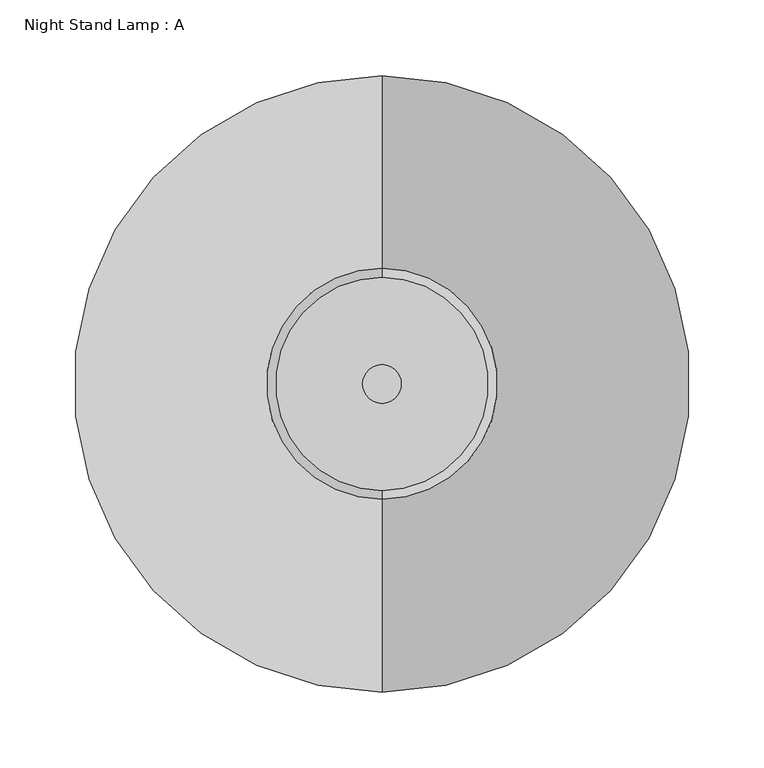
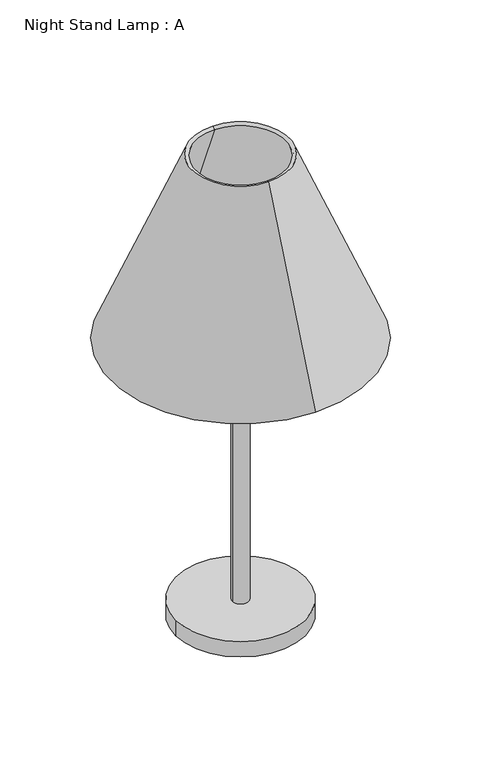
"""IFC4 building model written with IfcOpenShell, lengths in millimetres: furniture geometry, Night Stand Lamp : A."""

from ifc_helpers import new_model, si_unit, point, frame, origin, origin_with_axes, origin_2d, place, context, project, spatial, polyline, circle_curve, trimmed, segment, composite_curve, outline, extrude, source, transform, mapped, element, save
from ifc_brep_helpers import revolved_surface, advanced_brep


def night_stand_lamp_a_437d634a(model_context):
    return source(origin(), model_context, "Body", "SolidModel", [
        advanced_brep(
        [(0.0, -203.2, 457.2), (0.0, -76.2, 762.0), (0.0, 76.2, 762.0), (0.0, 203.2, 457.2), (0.0, -197.3384615, 454.7576923), (0.0, 197.3384615, 454.7576923), (0.0, -70.3384615, 759.5576923), (0.0, 70.3384615, 759.5576923)],
        [
            (0, 1),
            (1, 2, circle_curve(frame((0.0, 0.0, 762.0), z_axis=(0.0, 0.0, -1.0), x_axis=(0.0, 1.0, 0.0)), 76.2)),
            (2, 3),
            (3, 0, circle_curve(frame((0.0, 0.0, 457.2), z_axis=(0.0, 0.0, 1.0), x_axis=(0.0, 1.0, 0.0)), 203.2)),
            (2, 1, circle_curve(frame((0.0, 0.0, 762.0), z_axis=(0.0, 0.0, -1.0), x_axis=(0.0, 1.0, 0.0)), 76.2)),
            (0, 3, circle_curve(frame((0.0, 0.0, 457.2), z_axis=(0.0, 0.0, 1.0), x_axis=(0.0, 1.0, 0.0)), 203.2)),
            (4, 0),
            (3, 5),
            (5, 4, circle_curve(frame((0.0, 0.0, 454.7576923), z_axis=(0.0, 0.0, 1.0), x_axis=(0.0, 1.0, 0.0)), 197.3384615)),
            (4, 5, circle_curve(frame((0.0, 0.0, 454.7576923), z_axis=(0.0, 0.0, 1.0), x_axis=(0.0, 1.0, 0.0)), 197.3384615)),
            (6, 4),
            (5, 7),
            (7, 6, circle_curve(frame((0.0, 0.0, 759.5576923), z_axis=(0.0, 0.0, 1.0), x_axis=(0.0, 1.0, 0.0)), 70.3384615)),
            (6, 7, circle_curve(frame((0.0, 0.0, 759.5576923), z_axis=(0.0, 0.0, 1.0), x_axis=(0.0, 1.0, 0.0)), 70.3384615)),
            (1, 6),
            (7, 2),
        ],
        [
            revolved_surface(polyline([(0.0, 76.2, 762.0), (0.0, 203.2, 457.2)]), (0.0, 0.0, 762.0), (0.0, 0.0, -1.0)),
            revolved_surface(polyline([(0.0, 203.2, 457.2), (0.0, 197.3384615, 454.7576923)]), (0.0, 0.0, 762.0), (0.0, 0.0, -1.0)),
            revolved_surface(polyline([(0.0, 197.3384615, 454.7576923), (0.0, 70.3384615, 759.5576923)]), (0.0, 0.0, 762.0), (0.0, 0.0, -1.0)),
            revolved_surface(polyline([(0.0, 70.3384615, 759.5576923), (0.0, 76.2, 762.0)]), (0.0, 0.0, 762.0), (0.0, 0.0, -1.0)),
        ],
        [
            (0, [[1, 2, 3, 4]]),
            (0, [[-3, 5, -1, 6]]),
            (1, [[7, -4, 8, 9]]),
            (1, [[-8, -6, -7, 10]]),
            (2, [[11, -9, 12, 13]]),
            (2, [[-12, -10, -11, 14]]),
            (3, [[15, -13, 16, -2]]),
            (3, [[-16, -14, -15, -5]]),
        ],
    ),
        extrude(outline(composite_curve([segment(trimmed(circle_curve(origin_2d(), 12.7), [point((-12.7, 0.0))], [point((12.7, 0.0))], False, "CARTESIAN"), True, "CONTINUOUS"), segment(trimmed(circle_curve(origin_2d(), 12.7), [point((12.7, 0.0))], [point((-12.7, 0.0))], False, "CARTESIAN"), True, "CONTINUOUS")], self_intersect=False)), frame((0.0, 0.0, 25.4), z_axis=(0.0, 0.0, 1.0), x_axis=(1.0, 0.0, 0.0)), (0.0, 0.0, 1.0), 533.4),
        extrude(outline(composite_curve([segment(trimmed(circle_curve(origin_2d(), 101.6), [point((-101.6, 0.0))], [point((101.6, 0.0))], False, "CARTESIAN"), True, "CONTINUOUS"), segment(trimmed(circle_curve(origin_2d(), 101.6), [point((101.6, 0.0))], [point((-101.6, 0.0))], False, "CARTESIAN"), True, "CONTINUOUS")], self_intersect=False)), origin_with_axes(), (0.0, 0.0, 1.0), 25.4),
    ])


if __name__ == "__main__":
    model = new_model("IFC4")
    model_context = context("Model", 3, world=origin())
    ifc_project = project(units=[si_unit("LENGTHUNIT", "METRE", prefix="MILLI")], contexts=[model_context])
    site = spatial("IfcSite", under=ifc_project)
    building = spatial("IfcBuilding", under=site)
    placement = place(None, origin())
    night_stand_lamp_a_shape = night_stand_lamp_a_437d634a(model_context)
    element("IfcFurniture", 1, ObjectType="Night Stand Lamp : A", at=placement, inside=building, context=model_context, shape_type="MappedRepresentation", body=[
        mapped(night_stand_lamp_a_shape, transform((0.0, 0.0, 0.0), x_axis=(1.0, 0.0, 0.0), y_axis=(0.0, 1.0, 0.0), z_axis=(0.0, 0.0, 1.0))),
    ])
    save(model, "model.ifc")
